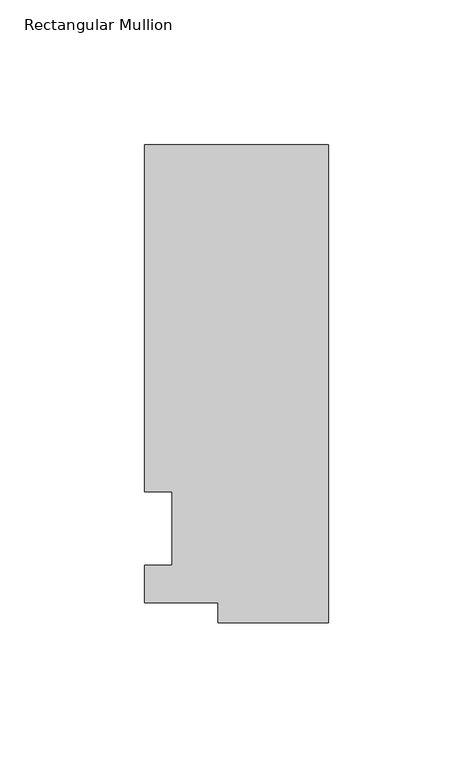
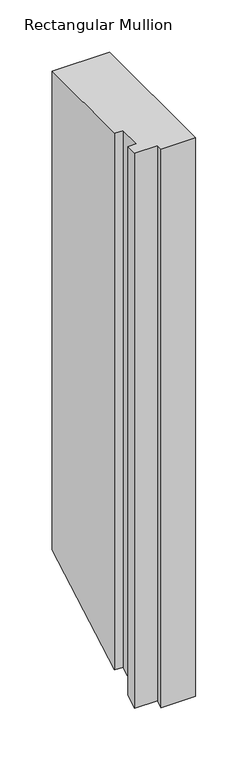
"""IFC4 building model written with IfcOpenShell, lengths in millimetres: member geometry, Rectangular Mullion."""

import ifcopenshell
import ifcopenshell.guid

model = None  # the IFC model being written
_history = None  # IfcOwnerHistory: only IFC2X3 demands one
_inside = {}  # id of a spatial element -> (the spatial element, [elements in it])
_under = {}  # id of a project, library or spatial element -> (it, [spatial elements below it])
_declared = {}  # id of a project -> (the project, [libraries it declares])
_typed = {}  # id of a type object -> (the type object, [elements of that type])
_made_of = {}  # id of a material, layer set ... -> (it, [elements and type objects made of it])


def new_model(schema):
    """Start an empty IFC model of exactly this schema.

    Asked for "IFC4X3", IfcOpenShell would pick the latest addendum, in which some entities
    have other attributes; the version numbers below select the first issue.
    IFC2X3 requires an IfcOwnerHistory on every rooted entity: one is made here for all.
    """
    global model, _history
    if schema == "IFC4X3":
        model = ifcopenshell.file(schema_version=(4, 3, 0, 0))
    else:
        model = ifcopenshell.file(schema=schema)
    _inside.clear()
    _under.clear()
    _declared.clear()
    _typed.clear()
    _made_of.clear()
    _history = None
    if model.schema == "IFC2X3":
        org = make("IfcOrganization", Name="unknown")
        user = make(
            "IfcPersonAndOrganization",
            ThePerson=make("IfcPerson", FamilyName="unknown"),
            TheOrganization=org,
        )
        app = make(
            "IfcApplication",
            ApplicationDeveloper=org,
            Version="unknown",
            ApplicationFullName="unknown",
            ApplicationIdentifier="unknown",
        )
        _history = make(
            "IfcOwnerHistory",
            OwningUser=user,
            OwningApplication=app,
            ChangeAction="ADDED",
            CreationDate=0,
        )
    return model


def make(cls, **values):
    """One entity of the class cls with the attributes given. An attribute that is None is left unset."""
    return model.create_entity(
        cls, **{name: value for name, value in values.items() if value is not None}
    )


def rooted(cls, **values):
    """An entity with a GlobalId (a new one), such as an element, a storey or a relation."""
    return make(cls, GlobalId=ifcopenshell.guid.new(), OwnerHistory=_history, **values)


def si_unit(unit_type, name, prefix=None):
    """IfcSIUnit, for example si_unit("LENGTHUNIT", "METRE", prefix="MILLI")."""
    return make("IfcSIUnit", UnitType=unit_type, Prefix=prefix, Name=name)


def assignment(units):
    """IfcUnitAssignment: the units of a project."""
    return None if units is None else make("IfcUnitAssignment", Units=units)


def point(xyz):
    """IfcCartesianPoint."""
    return None if xyz is None else make("IfcCartesianPoint", Coordinates=xyz)


def direction(xyz):
    """IfcDirection."""
    return None if xyz is None else make("IfcDirection", DirectionRatios=xyz)


def frame(location, z_axis=None, x_axis=None):
    """IfcAxis2Placement3D, a coordinate frame: its origin and axes. An axis left out is left unset."""
    return make(
        "IfcAxis2Placement3D",
        Location=point(location),
        Axis=direction(z_axis),
        RefDirection=direction(x_axis),
    )


def origin():
    """The frame at (0, 0, 0) with its axes left unset."""
    return frame((0.0, 0.0, 0.0))


def place(relative_to, where):
    """IfcLocalPlacement: puts the frame where relative to a parent placement (None: the world)."""
    return make(
        "IfcLocalPlacement", PlacementRelTo=relative_to, RelativePlacement=where
    )


def context(
    kind, dimensions, precision=None, world=None, true_north=None, identifier=None
):
    """IfcGeometricRepresentationContext, for example the 3D "Model" context."""
    return make(
        "IfcGeometricRepresentationContext",
        ContextIdentifier=identifier,
        ContextType=kind,
        CoordinateSpaceDimension=dimensions,
        Precision=precision,
        WorldCoordinateSystem=world,
        TrueNorth=true_north,
    )


def project(units=None, contexts=None):
    """IfcProject with its units and contexts."""
    return rooted(
        "IfcProject",
        Name="project",
        RepresentationContexts=contexts,
        UnitsInContext=assignment(units),
    )


def spatial(cls, under=None, at=None, **own):
    """A site, building, storey or space (cls), placed at a placement, below another one or the project."""
    s = rooted(cls, ObjectPlacement=at, **own)
    if under is not None:
        _under.setdefault(under.id(), (under, []))[1].append(s)
    return s


def faces_of(points, faces, orient=None, outer=None):
    """IfcFace entities. A face is a list of loops; a loop is a list of indices into points, from 0.

    orient and outer hold one flag for each loop. By default every Orientation is true, the
    first loop of a face is its IfcFaceOuterBound and the others are IfcFaceBound.
    """
    made = []
    for i, loops in enumerate(faces):
        bounds = []
        for j, loop in enumerate(loops):
            is_outer = j == 0 if outer is None else outer[i][j]
            bounds.append(
                make(
                    "IfcFaceOuterBound" if is_outer else "IfcFaceBound",
                    Bound=make("IfcPolyLoop", Polygon=[points[k] for k in loop]),
                    Orientation=True if orient is None else orient[i][j],
                )
            )
        made.append(make("IfcFace", Bounds=bounds))
    return made


def faceted_brep(points, faces, orient=None, outer=None, voids=None):
    """IfcFacetedBrep: a solid bounded by flat faces; with voids (closed shells), ...WithVoids."""
    shared = [point(p) for p in points]
    hull = make("IfcClosedShell", CfsFaces=faces_of(shared, faces, orient, outer))
    if voids is None:
        return make("IfcFacetedBrep", Outer=hull)
    return make(
        "IfcFacetedBrepWithVoids",
        Outer=hull,
        Voids=[
            make(cls, CfsFaces=faces_of(shared, fs, o, b)) for cls, fs, o, b in voids
        ],
    )


def shape(context_of_items, identifier, shape_type, items):
    """IfcShapeRepresentation: the items that make up one representation, for example the "Body"."""
    return make(
        "IfcShapeRepresentation",
        ContextOfItems=context_of_items,
        RepresentationIdentifier=identifier,
        RepresentationType=shape_type,
        Items=items,
    )


def source(mapping_origin, context_of_items, identifier, shape_type, items):
    """IfcRepresentationMap: a shape defined once, which mapped items show again and again."""
    return make(
        "IfcRepresentationMap",
        MappingOrigin=mapping_origin,
        MappedRepresentation=shape(context_of_items, identifier, shape_type, items),
    )


def transform(
    local_origin,
    x_axis=None,
    y_axis=None,
    z_axis=None,
    scale=None,
    scale2=None,
    scale3=None,
    uniform=True,
):
    """IfcCartesianTransformationOperator3D, or its non-uniform kind. x_axis, y_axis, z_axis: its Axis1, 2, 3."""
    if uniform:
        return make(
            "IfcCartesianTransformationOperator3D",
            Axis1=direction(x_axis),
            Axis2=direction(y_axis),
            LocalOrigin=point(local_origin),
            Scale=scale,
            Axis3=direction(z_axis),
        )
    return make(
        "IfcCartesianTransformationOperator3DnonUniform",
        Axis1=direction(x_axis),
        Axis2=direction(y_axis),
        LocalOrigin=point(local_origin),
        Scale=scale,
        Axis3=direction(z_axis),
        Scale2=scale2,
        Scale3=scale3,
    )


def mapped(mapping_source, mapping_target):
    """IfcMappedItem: shows the shape of a source again, moved by a transform."""
    return make(
        "IfcMappedItem", MappingSource=mapping_source, MappingTarget=mapping_target
    )


def made_of(thing, what):
    """Note that an element or type object is made of a material, layer set ...; save() writes the relation."""
    if what is not None:
        _made_of.setdefault(what.id(), (what, []))[1].append(thing)
    return thing


def element(
    cls,
    number,
    at=None,
    inside=None,
    cuts=None,
    type_object=None,
    material=None,
    context=None,
    identifier="Body",
    shape_type=None,
    held_by="IfcProductDefinitionShape",
    body=None,
    shapes=None,
    **own,
):
    """One element of the class cls, such as IfcWall. Its Tag is "e" and its number.

    at: its placement. inside: the storey or other place that contains it. cuts: it is an
    opening in that element (IfcRelVoidsElement). A single representation is given by context,
    identifier, shape_type and body (its items); several are given by shapes. held_by: the class
    of the entity that holds the representations. save() writes the other relations.
    """
    e = rooted(cls, Tag="e%d" % number, ObjectPlacement=at, **own)
    if body is not None:
        shapes = [shape(context, identifier, shape_type, body)]
    if shapes is not None:
        e.Representation = make(held_by, Representations=shapes)
    if inside is not None:
        _inside.setdefault(inside.id(), (inside, []))[1].append(e)
    if cuts is not None:
        rooted(
            "IfcRelVoidsElement", RelatingBuildingElement=cuts, RelatedOpeningElement=e
        )
    if type_object is not None:
        _typed.setdefault(type_object.id(), (type_object, []))[1].append(e)
    return made_of(e, material)


def aggregate(whole, parts):
    """IfcRelAggregates: a whole, such as a stair, and the parts it consists of."""
    return rooted("IfcRelAggregates", RelatingObject=whole, RelatedObjects=parts)


def save(model, path):
    """Write the relations noted so far, then the file.

    IfcRelAggregates (storeys below a building ...), IfcRelContainedInSpatialStructure (elements
    in a storey), IfcRelDefinesByType, IfcRelAssociatesMaterial and IfcRelDeclares: one each for
    every whole, place, type object, material and project.
    """
    for whole, parts in _under.values():
        aggregate(whole, parts)
    for where, things in _inside.values():
        rooted(
            "IfcRelContainedInSpatialStructure",
            RelatedElements=things,
            RelatingStructure=where,
        )
    for kind, things in _typed.values():
        rooted("IfcRelDefinesByType", RelatedObjects=things, RelatingType=kind)
    for what, things in _made_of.values():
        rooted("IfcRelAssociatesMaterial", RelatedObjects=things, RelatingMaterial=what)
    for by, libraries in _declared.values():
        rooted("IfcRelDeclares", RelatingContext=by, RelatedDefinitions=libraries)
    model.write(path)


def rectangular_mullion_2d676571(model_context):
    return source(origin(), model_context, "Body", "Brep", [
        faceted_brep([(-38.1, -32.54375, 0.0), (0.0, -32.54375, 0.0), (0.0, 132.55625, 0.0), (-63.5, 132.55625, 0.0), (-63.5, 12.7, 0.0), (-53.975, 12.7, 0.0), (-53.975, -12.7, 0.0), (-63.5, -12.7, 0.0), (-63.5, -25.58415, 0.0), (-38.1, -25.58415, 0.0), (-38.1, -32.54375, -653.4123679), (0.0, -32.54375, -653.4123679), (0.0, 132.55625, -560.0032822), (-63.5, 132.55625, -560.0032822), (-63.5, 12.7, -627.8146857), (-53.975, 12.7, -627.8146857), (-53.975, -12.7, -642.1853143), (-63.5, -12.7, -642.1853143), (-63.5, -25.58415, -649.4748156), (-38.1, -25.58415, -649.4748156)], [[[0, 1, 2, 3, 4, 5, 6, 7, 8, 9]], [[1, 0, 10, 11]], [[2, 1, 11, 12]], [[3, 2, 12, 13]], [[4, 3, 13, 14]], [[5, 4, 14, 15]], [[6, 5, 15, 16]], [[7, 6, 16, 17]], [[8, 7, 17, 18]], [[9, 8, 18, 19]], [[0, 9, 19, 10]], [[10, 19, 18, 17, 16, 15, 14, 13, 12, 11]]]),
    ])


if __name__ == "__main__":
    model = new_model("IFC4")
    model_context = context("Model", 3, world=origin())
    ifc_project = project(units=[si_unit("LENGTHUNIT", "METRE", prefix="MILLI")], contexts=[model_context])
    site = spatial("IfcSite", under=ifc_project)
    building = spatial("IfcBuilding", under=site)
    placement = place(None, origin())
    rectangular_mullion_shape = rectangular_mullion_2d676571(model_context)
    element("IfcMember", 1, ObjectType="Rectangular Mullion", at=placement, inside=building, context=model_context, shape_type="MappedRepresentation", body=[
        mapped(rectangular_mullion_shape, transform((0.0, 0.0, 0.0), x_axis=(1.0, 0.0, 0.0), y_axis=(0.0, 1.0, 0.0), z_axis=(0.0, 0.0, 1.0))),
    ])
    save(model, "model.ifc")
